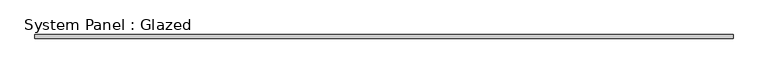
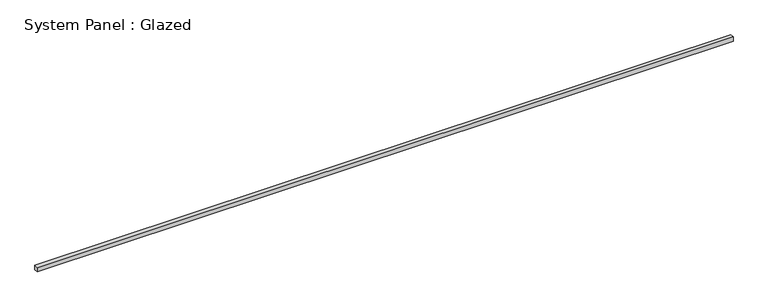
"""IFC4 building model written with IfcOpenShell, lengths in millimetres: plate geometry, System Panel : Glazed."""

from ifc_helpers import new_model, si_unit, origin, origin_with_axes, place, context, project, spatial, polyline, outline, extrude, source, transform, mapped, element, save


def system_panel_glazed_0bbb9f03(model_context):
    return source(origin(), model_context, "Body", "SweptSolid", [
        extrude(outline(polyline([(2425.7, 25.4), (-2425.7, 25.4), (-2425.7, 50.8), (2425.7, 50.8), (2425.7, 25.4)])), origin_with_axes(), (0.0, 0.0, 1.0), 31.3255971),
    ])


if __name__ == "__main__":
    model = new_model("IFC4")
    model_context = context("Model", 3, world=origin())
    ifc_project = project(units=[si_unit("LENGTHUNIT", "METRE", prefix="MILLI")], contexts=[model_context])
    site = spatial("IfcSite", under=ifc_project)
    building = spatial("IfcBuilding", under=site)
    placement = place(None, origin())
    system_panel_glazed_shape = system_panel_glazed_0bbb9f03(model_context)
    element("IfcPlate", 1, ObjectType="System Panel : Glazed", at=placement, inside=building, context=model_context, shape_type="MappedRepresentation", body=[
        mapped(system_panel_glazed_shape, transform((0.0, 0.0, 0.0), x_axis=(1.0, 0.0, 0.0), y_axis=(0.0, 1.0, 0.0), z_axis=(0.0, 0.0, 1.0))),
    ])
    save(model, "model.ifc")
